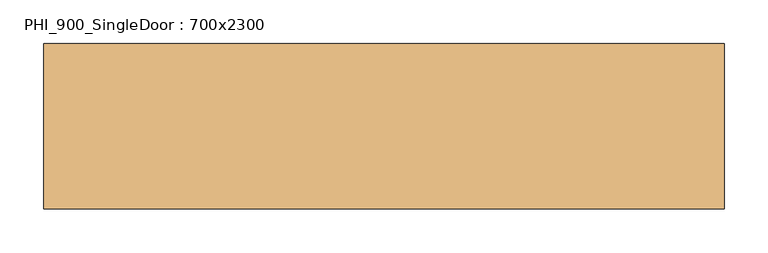
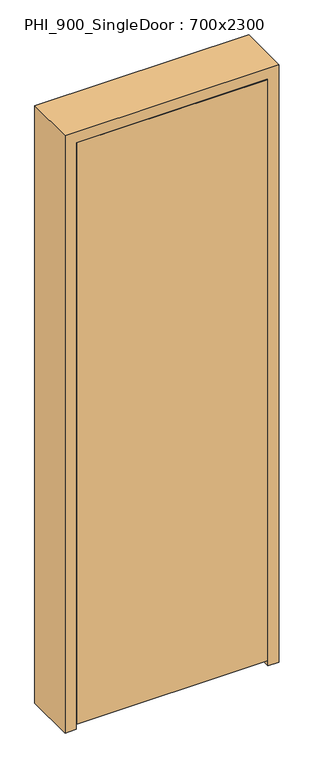
"""IFC4 building model written with IfcOpenShell, lengths in millimetres: door geometry, PHI_900_SingleDoor : 700x2300."""

from ifc_helpers import new_model, si_unit, frame, origin, place, context, project, spatial, polyline, outline, extrude, source, transform, mapped, element, save


def phi_900_singledoor_700x2300_eda6b994(model_context):
    return source(origin(), model_context, "Body", "SweptSolid", [
        extrude(outline(polyline([(348.0, -95.0), (-348.0, -95.0), (-348.0, -45.0), (348.0, -45.0), (348.0, -95.0)])), frame((0.0, 0.0, 20.0), z_axis=(0.0, 0.0, 1.0), x_axis=(1.0, 0.0, 0.0)), (0.0, 0.0, 1.0), 2238.0),
        extrude(outline(polyline([(2300.0, -390.0), (0.0, -390.0), (0.0, -350.0), (2260.0, -350.0), (2260.0, 350.0), (0.0, 350.0), (0.0, 390.0), (2300.0, 390.0), (2300.0, -390.0)])), frame((0.0, -95.0, 0.0), z_axis=(0.0, 1.0, 0.0), x_axis=(0.0, 0.0, 1.0)), (0.0, 0.0, 1.0), 190.0),
        extrude(outline(polyline([(2260.0, -350.0), (0.0, -350.0), (0.0, -330.0), (2240.0, -330.0), (2240.0, 330.0), (0.0, 330.0), (0.0, 350.0), (2260.0, 350.0), (2260.0, -350.0)])), frame((0.0, -45.0, 0.0), z_axis=(0.0, 1.0, 0.0), x_axis=(0.0, 0.0, 1.0)), (0.0, 0.0, 1.0), 45.0),
    ])


if __name__ == "__main__":
    model = new_model("IFC4")
    model_context = context("Model", 3, world=origin())
    ifc_project = project(units=[si_unit("LENGTHUNIT", "METRE", prefix="MILLI")], contexts=[model_context])
    site = spatial("IfcSite", under=ifc_project)
    building = spatial("IfcBuilding", under=site)
    placement = place(None, origin())
    phi_900_singledoor_700x2300_shape = phi_900_singledoor_700x2300_eda6b994(model_context)
    element("IfcDoor", 1, ObjectType="PHI_900_SingleDoor : 700x2300", at=placement, inside=building, context=model_context, shape_type="MappedRepresentation", body=[
        mapped(phi_900_singledoor_700x2300_shape, transform((0.0, 0.0, 0.0), x_axis=(1.0, 0.0, 0.0), y_axis=(0.0, 1.0, 0.0), z_axis=(0.0, 0.0, 1.0))),
    ])
    save(model, "model.ifc")
